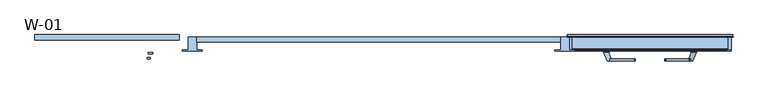
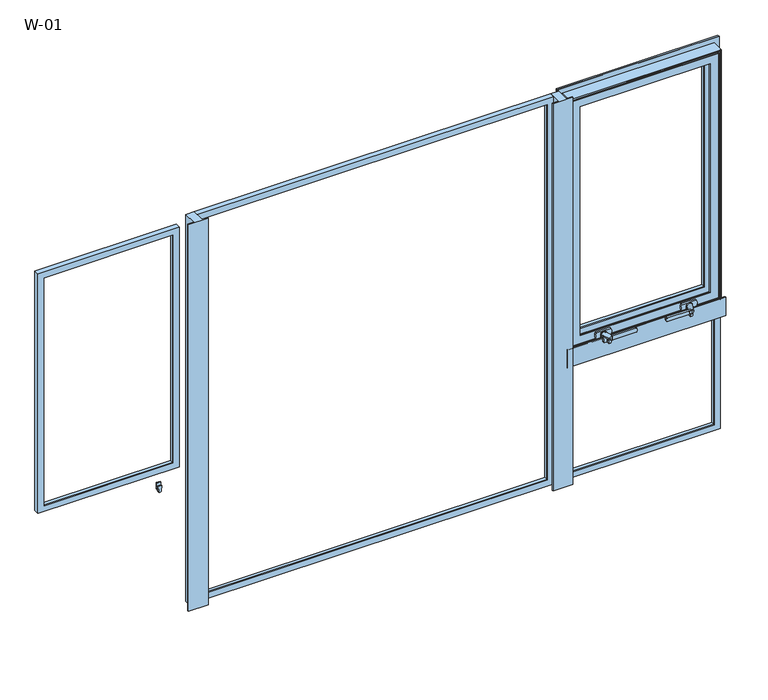
"""IFC4 building model written with IfcOpenShell, lengths in millimetres: window geometry, W-01."""

from ifc_helpers import new_model, si_unit, point, frame, frame_2d, origin, place, context, project, spatial, polyline, circle_curve, ellipse_curve, trimmed, segment, composite_curve, outline, extrude, source, transform, mapped, element, save
from ifc_brep_helpers import plane_surface, cylinder_surface, revolved_surface, spline_surface, advanced_brep


def w_01_fa36b794(model_context):
    return source(origin(), model_context, "Body", "SolidModel", [
        extrude(outline(polyline([(685.0000348, 68.9990172), (614.9999974, 68.9990172), (614.9999974, 72.5990172), (634.9999813, 72.5990172), (634.9999813, 118.9999375), (665.0000187, 118.9999375), (665.0000187, 72.5990172), (685.0000348, 72.5990172), (685.0000348, 68.9990172)])), frame((0.0, 0.0, 520.0), z_axis=(0.0, 0.0, 1.0), x_axis=(1.0, 0.0, 0.0)), (0.0, 0.0, 1.0), 1460.0),
        advanced_brep(
        [(-615.0, 118.9999377, 540.0), (-615.0, 107.7228474, 540.0), (615.0, 107.7228474, 540.0), (615.0, 118.9999377, 540.0), (612.8575034, 100.3927452, 542.1424966), (612.8575034, 100.3927452, 1957.8575034), (615.0, 107.7228474, 1960.0), (635.0, 100.3927452, 1980.0), (635.0, 118.9999377, 1980.0), (-635.0, 118.9999377, 1980.0), (-635.0, 100.3927452, 1980.0), (-615.0, 107.7228474, 1960.0), (-612.8575034, 100.3927452, 1957.8575034), (-612.8575034, 100.3927452, 542.1424966), (-615.0, 118.9999377, 1960.0), (-635.0, 118.9999377, 520.0), (-635.0, 100.3927452, 520.0), (635.0, 118.9999377, 520.0), (635.0, 100.3927452, 520.0), (615.0, 118.9999377, 1960.0)],
        [
            (0, 1),
            (1, 2),
            (2, 3),
            (3, 0),
            (2, 4, ellipse_curve(frame((595.3925883, 109.4756835, 559.6074117), z_axis=(-0.7071067811865475, 0.0, -0.7071067811865475), x_axis=(-0.7071067811865474, 0.0, 0.7071067811865476)), 27.839649, 19.6856046)),
            (4, 5),
            (5, 6, ellipse_curve(frame((595.3925883, 109.4756835, 1940.3925883), z_axis=(-0.7071067811865475, 0.0, 0.7071067811865475), x_axis=(0.7071067811865474, 0.0, 0.7071067811865476)), 27.839649, 19.6856046)),
            (6, 2),
            (7, 8),
            (8, 9),
            (9, 10),
            (10, 7),
            (11, 12, ellipse_curve(frame((-595.3925883, 109.4756835, 1940.3925883), z_axis=(0.7071067811865475, 0.0, 0.7071067811865475), x_axis=(0.7071067811865474, 0.0, -0.7071067811865476)), 27.839649, 19.6856046)),
            (12, 13),
            (13, 1, ellipse_curve(frame((-595.3925883, 109.4756835, 559.6074117), z_axis=(0.7071067811865475, 0.0, -0.7071067811865475), x_axis=(-0.7071067811865474, 0.0, -0.7071067811865476)), 27.839649, 19.6856046)),
            (1, 11),
            (14, 11),
            (0, 14),
            (9, 15),
            (15, 16),
            (16, 10),
            (13, 4),
            (15, 17),
            (17, 18),
            (18, 16),
            (6, 19),
            (19, 3),
            (17, 8),
            (7, 18),
            (12, 5),
            (11, 6),
            (14, 19),
        ],
        [
            plane_surface(frame((-615.0, 107.7228474, 540.0), z_axis=(0.0, 0.0, 1.0), x_axis=(1.0, 0.0, 0.0))),
            revolved_surface(polyline([(615.0781929000001, 109.4756835, 1960.0781928937533), (615.0781929000001, 109.4756835, 539.9218071062467)]), (595.3925883, 109.4756835, 520.0), (0.0, 0.0, 1.0)),
            plane_surface(frame((635.0, 118.9999377, 1980.0), z_axis=(0.0, 0.0, 1.0), x_axis=(-1.0, 0.0, 0.0))),
            revolved_surface(polyline([(-615.0781929000001, 109.4756835, 539.9218071062464), (-615.0781929000001, 109.4756835, 1960.0781928937533)]), (-595.3925883, 109.4756835, 1980.0), (0.0, 0.0, -1.0)),
            plane_surface(frame((-615.0, 107.7228474, 1960.0), z_axis=(1.0, 0.0, 0.0), x_axis=(0.0, 0.0, -1.0))),
            plane_surface(frame((-635.0, 118.9999377, 1980.0), z_axis=(-1.0, 0.0, 0.0), x_axis=(0.0, 0.0, -1.0))),
            revolved_surface(polyline([(615.0781928937536, 109.4756835, 539.9218070999999), (-615.0781928937533, 109.4756835, 539.9218070999999)]), (-635.0, 109.4756835, 559.6074117), (1.0, 0.0, 0.0)),
            plane_surface(frame((-635.0, 118.9999377, 520.0), z_axis=(0.0, 0.0, -1.0), x_axis=(1.0, 0.0, 0.0))),
            plane_surface(frame((615.0, 107.7228474, 540.0), z_axis=(-1.0, 0.0, 0.0), x_axis=(0.0, 0.0, 1.0))),
            plane_surface(frame((635.0, 118.9999377, 520.0), z_axis=(1.0, 0.0, 0.0), x_axis=(0.0, 0.0, 1.0))),
            plane_surface(frame((635.0, 100.3927452, 1980.0), z_axis=(0.0, -1.0, 0.0), x_axis=(-1.0, 0.0, 0.0))),
            revolved_surface(polyline([(-615.0781928937536, 109.4756835, 1960.0781929), (615.0781928937533, 109.4756835, 1960.0781929)]), (635.0, 109.4756835, 1940.3925883), (-1.0, 0.0, 0.0)),
            plane_surface(frame((615.0, 107.7228474, 1960.0), z_axis=(0.0, 0.0, -1.0), x_axis=(-1.0, 0.0, 0.0))),
            plane_surface(frame((615.0, 118.9999377, 1960.0), z_axis=(0.0, 1.0, 0.0), x_axis=(-1.0, 0.0, 0.0))),
        ],
        [
            (0, [[1, 2, 3, 4]]),
            (1, [[5, 6, 7, 8]]),
            (2, [[9, 10, 11, 12]]),
            (3, [[13, 14, 15, 16]]),
            (4, [[17, -16, -1, 18]]),
            (5, [[-11, 19, 20, 21]]),
            (6, [[-15, 22, -5, -2]]),
            (7, [[-20, 23, 24, 25]]),
            (8, [[-3, -8, 26, 27]]),
            (9, [[-24, 28, -9, 29]]),
            (10, [[-25, -29, -12, -21], [30, -6, -22, -14]]),
            (11, [[-7, -30, -13, 31]]),
            (12, [[-26, -31, -17, 32]]),
            (13, [[-10, -28, -23, -19], [-4, -27, -32, -18]]),
        ],
    ),
        advanced_brep(
        [(1199.4, 107.9927036, 1949.4), (1199.4, 107.9927036, 1045.6), (1199.4, 126.5998961, 1045.6), (1199.4, 126.5998961, 1949.4), (715.6, 115.3228058, 1065.6), (715.6, 115.3228058, 1929.4), (717.7424966, 107.9927036, 1927.2575034), (717.7424966, 107.9927036, 1067.7424966), (715.6, 126.5998961, 1929.4), (1179.4, 126.5998961, 1929.4), (1179.4, 115.3228058, 1929.4), (695.6, 107.9927036, 1949.4), (695.6, 126.5998961, 1949.4), (1179.4, 115.3228058, 1065.6), (1177.2575034, 107.9927036, 1067.7424966), (1177.2575034, 107.9927036, 1927.2575034), (1179.4, 126.5998961, 1065.6), (715.6, 126.5998961, 1065.6), (695.6, 107.9927036, 1045.6), (695.6, 126.5998961, 1045.6)],
        [
            (0, 1),
            (1, 2),
            (2, 3),
            (3, 0),
            (4, 5),
            (5, 6, ellipse_curve(frame((735.2074117, 117.0756419, 1909.7925883), z_axis=(0.7071067811865475, 0.0, 0.7071067811865475), x_axis=(-0.7071067811865474, 0.0, 0.7071067811865476)), 27.839649, 19.6856046)),
            (6, 7),
            (7, 4, ellipse_curve(frame((735.2074117, 117.0756419, 1085.2074117), z_axis=(0.7071067811865475, 0.0, -0.7071067811865475), x_axis=(0.7071067811865474, 0.0, 0.7071067811865476)), 27.839649, 19.6856046)),
            (8, 9),
            (9, 10),
            (10, 5),
            (5, 8),
            (11, 0),
            (3, 12),
            (12, 11),
            (10, 13),
            (13, 14, ellipse_curve(frame((1159.7925883, 117.0756419, 1085.2074117), z_axis=(-0.7071067811865475, 0.0, -0.7071067811865475), x_axis=(0.7071067811865474, 0.0, -0.7071067811865476)), 27.839649, 19.6856046)),
            (14, 15),
            (15, 10, ellipse_curve(frame((1159.7925883, 117.0756419, 1909.7925883), z_axis=(-0.7071067811865475, 0.0, 0.7071067811865475), x_axis=(-0.7071067811865474, 0.0, -0.7071067811865476)), 27.839649, 19.6856046)),
            (9, 16),
            (16, 13),
            (13, 4),
            (7, 14),
            (16, 17),
            (17, 4),
            (1, 18),
            (18, 19),
            (19, 2),
            (17, 8),
            (18, 11),
            (12, 19),
            (6, 15),
        ],
        [
            plane_surface(frame((1199.4, 126.5998961, 1949.4), z_axis=(1.0, 0.0, 0.0), x_axis=(0.0, 0.0, -1.0))),
            revolved_surface(polyline([(715.5218070999999, 117.0756419, 1929.4781928937532), (715.5218070999999, 117.0756419, 1065.5218071062466)]), (735.2074117, 117.0756419, 1045.6), (0.0, 0.0, 1.0)),
            plane_surface(frame((715.6, 115.3228058, 1929.4), z_axis=(0.0, 0.0, -1.0), x_axis=(1.0, 0.0, 0.0))),
            plane_surface(frame((695.6, 126.5998961, 1949.4), z_axis=(0.0, 0.0, 1.0), x_axis=(1.0, 0.0, 0.0))),
            revolved_surface(polyline([(1179.4781929, 117.0756419, 1065.5218071062468), (1179.4781929, 117.0756419, 1929.4781928937534)]), (1159.7925883, 117.0756419, 1949.4), (0.0, 0.0, -1.0)),
            plane_surface(frame((1179.4, 115.3228058, 1929.4), z_axis=(-1.0, 0.0, 0.0), x_axis=(0.0, 0.0, -1.0))),
            revolved_surface(polyline([(715.5218071062467, 117.0756419, 1065.5218071), (1179.4781928937532, 117.0756419, 1065.5218071)]), (1199.4, 117.0756419, 1085.2074117), (-1.0, 0.0, 0.0)),
            plane_surface(frame((1179.4, 115.3228058, 1065.6), z_axis=(0.0, 0.0, 1.0), x_axis=(-1.0, 0.0, 0.0))),
            plane_surface(frame((1199.4, 126.5998961, 1045.6), z_axis=(0.0, 0.0, -1.0), x_axis=(-1.0, 0.0, 0.0))),
            plane_surface(frame((715.6, 115.3228058, 1065.6), z_axis=(1.0, 0.0, 0.0), x_axis=(0.0, 0.0, 1.0))),
            plane_surface(frame((695.6, 126.5998961, 1045.6), z_axis=(-1.0, 0.0, 0.0), x_axis=(0.0, 0.0, 1.0))),
            plane_surface(frame((695.6, 107.9927036, 1949.4), z_axis=(0.0, -1.0, 0.0), x_axis=(1.0, 0.0, 0.0))),
            revolved_surface(polyline([(1179.4781928937532, 117.0756419, 1929.4781929), (715.5218071062467, 117.0756419, 1929.4781929)]), (695.6, 117.0756419, 1909.7925883), (1.0, 0.0, 0.0)),
            plane_surface(frame((715.6, 126.5998961, 1929.4), z_axis=(0.0, 1.0, 0.0), x_axis=(1.0, 0.0, 0.0))),
        ],
        [
            (0, [[1, 2, 3, 4]]),
            (1, [[5, 6, 7, 8]]),
            (2, [[9, 10, 11, 12]]),
            (3, [[13, -4, 14, 15]]),
            (4, [[16, 17, 18, 19]]),
            (5, [[20, 21, -16, -10]]),
            (6, [[22, -8, 23, -17]]),
            (7, [[24, 25, -22, -21]]),
            (8, [[26, 27, 28, -2]]),
            (9, [[29, -12, -5, -25]]),
            (10, [[30, -15, 31, -27]]),
            (11, [[-1, -13, -30, -26], [-18, -23, -7, 32]]),
            (12, [[-11, -19, -32, -6]]),
            (13, [[-3, -28, -31, -14], [-20, -9, -29, -24]]),
        ],
    ),
        extrude(outline(composite_curve([segment(trimmed(circle_curve(frame_2d((1029.7, 803.432005)), 3.0), [point((1026.7, 803.432005))], [point((1029.5429921, 806.4278936))], False, "CARTESIAN"), True, "CONTINUOUS"), segment(polyline([(1029.5429921, 806.4278936), (1050.0, 807.5), (1050.0, 796.5), (1029.5429921, 797.5721064)]), True, "CONTINUOUS"), segment(trimmed(circle_curve(frame_2d((1029.7, 800.567995)), 3.0), [point((1029.5429921, 797.5721064))], [point((1026.7, 800.567995))], False, "CARTESIAN"), True, "CONTINUOUS"), segment(polyline([(1026.7, 800.567995), (1026.7, 803.432005)]), True, "CONTINUOUS")], self_intersect=False)), frame((0.0, 42.4998877, 0.0), z_axis=(0.0, 1.0, 0.0), x_axis=(0.0, 0.0, 1.0)), (0.0, 0.0, 1.0), 4.9),
        extrude(outline(composite_curve([segment(trimmed(circle_curve(frame_2d((1025.7, 798.7223739)), 3.0), [point((1022.7, 798.7223739))], [point((1025.5429921, 801.7182625))], False, "CARTESIAN"), True, "CONTINUOUS"), segment(polyline([(1025.5429921, 801.7182625), (1050.0, 803.0), (1050.0, 789.0), (1025.5429921, 790.2817375)]), True, "CONTINUOUS"), segment(trimmed(circle_curve(frame_2d((1025.7, 793.2776261)), 3.0), [point((1025.5429921, 790.2817375))], [point((1022.7, 793.2776261))], False, "CARTESIAN"), True, "CONTINUOUS"), segment(polyline([(1022.7, 793.2776261), (1022.7, 798.7223739)]), True, "CONTINUOUS")], self_intersect=False)), frame((0.0, 59.2998877, 0.0), z_axis=(0.0, 1.0, 0.0), x_axis=(0.0, 0.0, 1.0)), (0.0, 0.0, 1.0), 5.3),
        extrude(outline(composite_curve([segment(polyline([(1057.2, 891.7659341), (1057.2, 806.0), (1042.8, 806.0), (1042.8, 891.7659341)]), True, "CONTINUOUS"), segment(trimmed(circle_curve(frame_2d((1044.8, 891.7659341)), 2.0), [point((1042.8, 891.7659341))], [point((1044.0572186, 893.6228875))], False, "CARTESIAN"), True, "CONTINUOUS"), segment(polyline([(1044.0572186, 893.6228875), (1048.5144373, 895.4057749)]), True, "CONTINUOUS"), segment(trimmed(circle_curve(frame_2d((1050.0, 891.6918682)), 4.0), [point((1048.5144373, 895.4057749))], [point((1051.4855627, 895.4057749))], False, "CARTESIAN"), True, "CONTINUOUS"), segment(polyline([(1051.4855627, 895.4057749), (1055.9427814, 893.6228875)]), True, "CONTINUOUS"), segment(trimmed(circle_curve(frame_2d((1055.2, 891.7659341)), 2.0), [point((1055.9427814, 893.6228875))], [point((1057.2, 891.7659341))], False, "CARTESIAN"), True, "CONTINUOUS")], self_intersect=False)), frame((0.0, 34.5998877, 0.0), z_axis=(0.0, 1.0, 0.0), x_axis=(0.0, 0.0, 1.0)), (0.0, 0.0, 1.0), 7.0),
        extrude(outline(composite_curve([segment(trimmed(circle_curve(frame_2d((1050.0, 795.0)), 7.0), [point((1050.0, 788.0))], [point((1050.0, 802.0))], False, "CARTESIAN"), True, "CONTINUOUS"), segment(trimmed(circle_curve(frame_2d((1050.0, 795.0)), 7.0), [point((1050.0, 802.0))], [point((1050.0, 788.0))], False, "CARTESIAN"), True, "CONTINUOUS")], self_intersect=False)), frame((0.0, 64.5998877, 0.0), z_axis=(0.0, 1.0, 0.0), x_axis=(0.0, 0.0, 1.0)), (0.0, 0.0, 1.0), 1.5),
        advanced_brep(
        [(786.0, 64.5998877, 1050.0), (804.0, 64.5998877, 1050.0), (813.5, 34.5998877, 1050.0), (798.5, 34.5998877, 1050.0)],
        [
            (0, 1, circle_curve(frame((795.0, 64.5998877, 1050.0), z_axis=(0.0, -1.0, 0.0), x_axis=(1.0, 0.0, 0.0)), 9.0)),
            (1, 2),
            (2, 3, circle_curve(frame((806.0, 34.5998877, 1050.0), z_axis=(0.0, 1.0, 0.0), x_axis=(1.0, 0.0, 0.0)), 7.5)),
            (3, 0),
            (2, 3, circle_curve(frame((806.0, 34.5998877, 1050.0), z_axis=(0.0, -1.0, 0.0), x_axis=(1.0, 0.0, 0.0)), 7.5)),
            (0, 1, circle_curve(frame((795.0, 64.5998877, 1050.0), z_axis=(0.0, 1.0, 0.0), x_axis=(1.0, 0.0, 0.0)), 9.0)),
        ],
        [
            spline_surface(2, 1, [[(786.0, 64.5998877, 1050.0), (798.5, 34.5998877, 1050.0)], [(786.0, 64.5998877, 1041.0), (798.5, 34.5998877, 1042.5)], [(795.0, 64.5998877, 1041.0), (806.0, 34.5998877, 1042.5)], [(804.0, 64.5998877, 1041.0), (813.5, 34.5998877, 1042.5)], [(804.0, 64.5998877, 1050.0), (813.5, 34.5998877, 1050.0)]], [3, 2, 3], [2, 2], [0.0, 1.0, 2.0], [0.0, 1.0], weights=[[1.0, 1.0], [0.7071067811865476, 0.7071067811865476], [1.0, 1.0], [0.7071067811865476, 0.7071067811865476], [1.0, 1.0]]),
            plane_surface(frame((806.0, 34.5998877, 1050.0), z_axis=(0.0, -1.0, 0.0), x_axis=(0.0, 0.0, -1.0))),
            plane_surface(frame((795.0, 64.5998877, 1050.0), z_axis=(0.0, 1.0, 0.0), x_axis=(0.0, 0.0, -1.0))),
            spline_surface(2, 1, [[(804.0, 64.5998877, 1050.0), (813.5, 34.5998877, 1050.0)], [(804.0, 64.5998877, 1059.0), (813.5, 34.5998877, 1057.5)], [(795.0, 64.5998877, 1059.0), (806.0, 34.5998877, 1057.5)], [(786.0, 64.5998877, 1059.0), (798.5, 34.5998877, 1057.5)], [(786.0, 64.5998877, 1050.0), (798.5, 34.5998877, 1050.0)]], [3, 2, 3], [2, 2], [0.0, 1.0, 2.0], [0.0, 1.0], weights=[[1.0, 1.0], [0.7071067811865476, 0.7071067811865476], [1.0, 1.0], [0.7071067811865476, 0.7071067811865476], [1.0, 1.0]]),
        ],
        [
            (0, [[1, 2, 3, 4]]),
            (1, [[-3, 5]]),
            (2, [[6, -1]]),
            (3, [[-6, -4, -5, -2]]),
        ],
    ),
        extrude(outline(composite_curve([segment(polyline([(1050.0, 784.4), (1038.95, 784.4), (1038.95, 805.6), (1050.0, 805.6)]), True, "CONTINUOUS"), segment(trimmed(circle_curve(frame_2d((1050.0, 795.0)), 10.6), [point((1050.0, 805.6))], [point((1050.0, 784.4))], False, "CARTESIAN"), True, "CONTINUOUS")], self_intersect=False)), frame((0.0, 66.0998877, 0.0), z_axis=(0.0, 1.0, 0.0), x_axis=(0.0, 0.0, 1.0)), (0.0, 0.0, 1.0), 2.8),
        extrude(outline(composite_curve([segment(trimmed(circle_curve(frame_2d((1050.0, 798.2967472)), 25.2495582), [point((1038.95, 821.0))], [point((1061.05, 821.0))], False, "CARTESIAN"), True, "CONTINUOUS"), segment(polyline([(1061.05, 821.0), (1061.05, 769.0)]), True, "CONTINUOUS"), segment(trimmed(circle_curve(frame_2d((1050.0, 791.7032528)), 25.2495582), [point((1061.05, 769.0))], [point((1038.95, 769.0))], False, "CARTESIAN"), True, "CONTINUOUS"), segment(polyline([(1038.95, 769.0), (1038.95, 821.0)]), True, "CONTINUOUS")], self_intersect=False)), frame((0.0, 68.8998877, 0.0), z_axis=(0.0, 1.0, 0.0), x_axis=(0.0, 0.0, 1.0)), (0.0, 0.0, 1.0), 6.7),
        extrude(outline(composite_curve([segment(polyline([(1026.7, 1091.567995), (1026.7, 1094.432005)]), True, "CONTINUOUS"), segment(trimmed(circle_curve(frame_2d((1029.7, 1094.432005)), 3.0), [point((1026.7, 1094.432005))], [point((1029.5429921, 1097.4278936))], False, "CARTESIAN"), True, "CONTINUOUS"), segment(polyline([(1029.5429921, 1097.4278936), (1050.0, 1098.5), (1050.0, 1087.5), (1029.5429921, 1088.5721064)]), True, "CONTINUOUS"), segment(trimmed(circle_curve(frame_2d((1029.7, 1091.567995)), 3.0), [point((1029.5429921, 1088.5721064))], [point((1026.7, 1091.567995))], False, "CARTESIAN"), True, "CONTINUOUS")], self_intersect=False)), frame((0.0, 42.4998877, 0.0), z_axis=(0.0, 1.0, 0.0), x_axis=(0.0, 0.0, 1.0)), (0.0, 0.0, 1.0), 4.9),
        extrude(outline(composite_curve([segment(polyline([(1022.7, 1096.2776261), (1022.7, 1101.7223739)]), True, "CONTINUOUS"), segment(trimmed(circle_curve(frame_2d((1025.7, 1101.7223739)), 3.0), [point((1022.7, 1101.7223739))], [point((1025.5429921, 1104.7182625))], False, "CARTESIAN"), True, "CONTINUOUS"), segment(polyline([(1025.5429921, 1104.7182625), (1050.0, 1106.0), (1050.0, 1092.0), (1025.5429921, 1093.2817375)]), True, "CONTINUOUS"), segment(trimmed(circle_curve(frame_2d((1025.7, 1096.2776261)), 3.0), [point((1025.5429921, 1093.2817375))], [point((1022.7, 1096.2776261))], False, "CARTESIAN"), True, "CONTINUOUS")], self_intersect=False)), frame((0.0, 59.2998877, 0.0), z_axis=(0.0, 1.0, 0.0), x_axis=(0.0, 0.0, 1.0)), (0.0, 0.0, 1.0), 5.3),
        extrude(outline(composite_curve([segment(trimmed(circle_curve(frame_2d((1055.2, 1003.2340659)), 2.0), [point((1057.2, 1003.2340659))], [point((1055.9427814, 1001.3771125))], False, "CARTESIAN"), True, "CONTINUOUS"), segment(polyline([(1055.9427814, 1001.3771125), (1051.4855627, 999.5942251)]), True, "CONTINUOUS"), segment(trimmed(circle_curve(frame_2d((1050.0, 1003.3081318)), 4.0), [point((1051.4855627, 999.5942251))], [point((1048.5144373, 999.5942251))], False, "CARTESIAN"), True, "CONTINUOUS"), segment(polyline([(1048.5144373, 999.5942251), (1044.0572186, 1001.3771125)]), True, "CONTINUOUS"), segment(trimmed(circle_curve(frame_2d((1044.8, 1003.2340659)), 2.0), [point((1044.0572186, 1001.3771125))], [point((1042.8, 1003.2340659))], False, "CARTESIAN"), True, "CONTINUOUS"), segment(polyline([(1042.8, 1003.2340659), (1042.8, 1089.0), (1057.2, 1089.0), (1057.2, 1003.2340659)]), True, "CONTINUOUS")], self_intersect=False)), frame((0.0, 34.5998877, 0.0), z_axis=(0.0, 1.0, 0.0), x_axis=(0.0, 0.0, 1.0)), (0.0, 0.0, 1.0), 7.0),
        extrude(outline(composite_curve([segment(trimmed(circle_curve(frame_2d((1050.0, 1100.0)), 7.0), [point((1050.0, 1107.0))], [point((1050.0, 1093.0))], False, "CARTESIAN"), True, "CONTINUOUS"), segment(trimmed(circle_curve(frame_2d((1050.0, 1100.0)), 7.0), [point((1050.0, 1093.0))], [point((1050.0, 1107.0))], False, "CARTESIAN"), True, "CONTINUOUS")], self_intersect=False)), frame((0.0, 64.5998877, 0.0), z_axis=(0.0, 1.0, 0.0), x_axis=(0.0, 0.0, 1.0)), (0.0, 0.0, 1.0), 1.5),
        advanced_brep(
        [(1109.0, 64.5998877, 1050.0), (1096.5, 34.5998877, 1050.0), (1081.5, 34.5998877, 1050.0), (1091.0, 64.5998877, 1050.0)],
        [
            (0, 1),
            (1, 2, circle_curve(frame((1089.0, 34.5998877, 1050.0), z_axis=(0.0, 1.0, 0.0), x_axis=(-1.0, 0.0, 0.0)), 7.5)),
            (2, 3),
            (3, 0, circle_curve(frame((1100.0, 64.5998877, 1050.0), z_axis=(0.0, -1.0, 0.0), x_axis=(-1.0, 0.0, 0.0)), 9.0)),
            (1, 2, circle_curve(frame((1089.0, 34.5998877, 1050.0), z_axis=(0.0, -1.0, 0.0), x_axis=(-1.0, 0.0, 0.0)), 7.5)),
            (3, 0, circle_curve(frame((1100.0, 64.5998877, 1050.0), z_axis=(0.0, 1.0, 0.0), x_axis=(-1.0, 0.0, 0.0)), 9.0)),
        ],
        [
            spline_surface(1, 2, [[(1109.0, 64.5998877, 1050.0), (1109.0, 64.5998877, 1041.0), (1100.0, 64.5998877, 1041.0), (1091.0, 64.5998877, 1041.0), (1091.0, 64.5998877, 1050.0)], [(1096.5, 34.5998877, 1050.0), (1096.5, 34.5998877, 1042.5), (1089.0, 34.5998877, 1042.5), (1081.5, 34.5998877, 1042.5), (1081.5, 34.5998877, 1050.0)]], [2, 2], [3, 2, 3], [0.0, 1.0], [0.0, 1.0, 2.0], weights=[[1.0, 0.7071067811865476, 1.0, 0.7071067811865476, 1.0], [1.0, 0.7071067811865476, 1.0, 0.7071067811865476, 1.0]]),
            plane_surface(frame((1089.0, 34.5998877, 1050.0), z_axis=(0.0, -1.0, 0.0), x_axis=(0.0, 0.0, -1.0))),
            plane_surface(frame((1100.0, 64.5998877, 1050.0), z_axis=(0.0, 1.0, 0.0), x_axis=(0.0, 0.0, -1.0))),
            spline_surface(1, 2, [[(1091.0, 64.5998877, 1050.0), (1091.0, 64.5998877, 1059.0), (1100.0, 64.5998877, 1059.0), (1109.0, 64.5998877, 1059.0), (1109.0, 64.5998877, 1050.0)], [(1081.5, 34.5998877, 1050.0), (1081.5, 34.5998877, 1057.5), (1089.0, 34.5998877, 1057.5), (1096.5, 34.5998877, 1057.5), (1096.5, 34.5998877, 1050.0)]], [2, 2], [3, 2, 3], [0.0, 1.0], [0.0, 1.0, 2.0], weights=[[1.0, 0.7071067811865476, 1.0, 0.7071067811865476, 1.0], [1.0, 0.7071067811865476, 1.0, 0.7071067811865476, 1.0]]),
        ],
        [
            (0, [[1, 2, 3, 4]]),
            (1, [[5, -2]]),
            (2, [[-4, 6]]),
            (3, [[-3, -5, -1, -6]]),
        ],
    ),
        extrude(outline(composite_curve([segment(trimmed(circle_curve(frame_2d((1050.0, 1100.0)), 10.6), [point((1050.0, 1110.6))], [point((1050.0, 1089.4))], False, "CARTESIAN"), True, "CONTINUOUS"), segment(polyline([(1050.0, 1089.4), (1038.95, 1089.4), (1038.95, 1110.6), (1050.0, 1110.6)]), True, "CONTINUOUS")], self_intersect=False)), frame((0.0, 66.0998877, 0.0), z_axis=(0.0, 1.0, 0.0), x_axis=(0.0, 0.0, 1.0)), (0.0, 0.0, 1.0), 2.8),
        extrude(outline(composite_curve([segment(polyline([(1038.95, 1074.0), (1038.95, 1126.0)]), True, "CONTINUOUS"), segment(trimmed(circle_curve(frame_2d((1050.0, 1103.2967472)), 25.2495582), [point((1038.95, 1126.0))], [point((1061.05, 1126.0))], False, "CARTESIAN"), True, "CONTINUOUS"), segment(polyline([(1061.05, 1126.0), (1061.05, 1074.0)]), True, "CONTINUOUS"), segment(trimmed(circle_curve(frame_2d((1050.0, 1096.7032528)), 25.2495582), [point((1061.05, 1074.0))], [point((1038.95, 1074.0))], False, "CARTESIAN"), True, "CONTINUOUS")], self_intersect=False)), frame((0.0, 68.8998877, 0.0), z_axis=(0.0, 1.0, 0.0), x_axis=(0.0, 0.0, 1.0)), (0.0, 0.0, 1.0), 6.7),
        advanced_brep(
        [(659.1411349, 121.9998959, 1009.1411349), (659.1411349, 126.5998959, 1009.1411349), (1235.8588651, 126.5998959, 1009.1411349), (1235.8588651, 121.9998959, 1009.1411349), (658.5362852, 119.9946704, 1986.4637148), (661.2462336, 121.9998959, 1983.7537664), (661.2462336, 121.9998959, 1011.2462336), (658.5362852, 119.9946704, 1008.5362852), (1233.7537664, 121.9998959, 1011.2462336), (1236.4637148, 119.9946704, 1008.5362852), (657.7913127, 118.9999375, 1987.2086873), (657.7913127, 118.9999375, 1007.7913127), (1237.2086873, 118.9999375, 1007.7913127), (679.5652096, 72.6034283, 1965.4347904), (676.855777, 74.6078109, 1968.144223), (676.855777, 74.6078109, 1026.855777), (679.5652096, 72.6034283, 1029.5652096), (1215.4347904, 72.6034283, 1029.5652096), (1215.4347904, 72.6034283, 1965.4347904), (1212.0349667, 72.6034283, 1962.0349667), (1212.0349667, 72.6034283, 1032.9650333), (682.9650333, 72.6034283, 1032.9650333), (682.9650333, 72.6034283, 1962.0349667), (686.1945677, 74.6078109, 1036.1945677), (1208.8054323, 74.6078109, 1036.1945677), (686.659424, 75.5998877, 1958.340576), (686.659424, 75.5998877, 1036.659424), (1208.340576, 75.5998877, 1036.659424), (1208.340576, 75.5998877, 1958.340576), (1179.3588709, 75.5998877, 1929.3588709), (1179.3588709, 75.5998877, 1065.6411291), (715.6411291, 75.5998877, 1065.6411291), (715.6411291, 75.5998877, 1929.3588709), (715.6411291, 80.1998877, 1929.3588709), (715.6411291, 80.1998877, 1065.6411291), (1233.7537664, 121.9998959, 1983.7537664), (1236.4637148, 119.9946704, 1986.4637148), (1218.3588678, 76.0998843, 1026.6411322), (1218.3588678, 118.9999375, 1026.6411322), (1218.3588678, 118.9999375, 1968.3588678), (1218.3588678, 76.0998843, 1968.3588678), (1217.8588679, 75.5998845, 1027.1411321), (1217.8588679, 75.5998845, 1967.8588679), (1199.3588651, 126.5998959, 1045.6411349), (1199.3588651, 80.1998877, 1045.6411349), (1199.3588651, 80.1998877, 1949.3588651), (1199.3588651, 126.5998959, 1949.3588651), (1237.2086873, 118.9999375, 1987.2086873), (1218.144223, 74.6078109, 1968.144223), (677.1411321, 75.5998845, 1967.8588679), (1208.8054323, 74.6078109, 1958.8054323), (686.1945677, 74.6078109, 1958.8054323), (695.6411349, 80.1998877, 1949.3588651), (695.6411349, 126.5998959, 1949.3588651), (659.1411349, 121.9998959, 1985.8588651), (659.1411349, 126.5998959, 1985.8588651), (1235.8588651, 126.5998959, 1985.8588651), (695.6411349, 126.5998959, 1045.6411349), (1235.8588651, 121.9998959, 1985.8588651), (676.6411322, 118.9999375, 1026.6411322), (676.6411322, 118.9999375, 1968.3588678), (676.6411322, 76.0998843, 1968.3588678), (676.6411322, 76.0998843, 1026.6411322), (677.1411321, 75.5998845, 1027.1411321), (1218.144223, 74.6078109, 1026.855777), (1179.3588709, 80.1998877, 1065.6411291), (695.6411349, 80.1998877, 1045.6411349), (1179.3588709, 80.1998877, 1929.3588709)],
        [
            (0, 1),
            (1, 2),
            (2, 3),
            (3, 0),
            (4, 5, ellipse_curve(frame((657.4151568, 124.3435951, 1987.5848432), z_axis=(0.7071067811865475, 0.0, 0.7071067811865475), x_axis=(0.7071067811865474, 0.0, -0.7071067811865476)), 6.3513896, 4.4911107)),
            (5, 6),
            (6, 7, ellipse_curve(frame((657.4151568, 124.3435951, 1007.4151568), z_axis=(0.7071067811865475, 0.0, -0.7071067811865475), x_axis=(-0.7071067811865474, 0.0, -0.7071067811865476)), 6.3513896, 4.4911107)),
            (7, 4),
            (6, 8),
            (8, 9, ellipse_curve(frame((1237.5848432, 124.3435951, 1007.4151568), z_axis=(0.7071067811865475, 0.0, 0.7071067811865475), x_axis=(0.7071067811865476, 0.0, -0.7071067811865474)), 6.3513896, 4.4911107)),
            (9, 7),
            (10, 4),
            (7, 11),
            (11, 10),
            (9, 12),
            (12, 11),
            (13, 14, ellipse_curve(frame((675.7346486, 70.2588862, 1969.2653514), z_axis=(0.7071067811865475, 0.0, 0.7071067811865475), x_axis=(0.7071067811865474, 0.0, -0.7071067811865476)), 6.3513896, 4.4911107)),
            (14, 15),
            (15, 16, ellipse_curve(frame((675.7346486, 70.2588862, 1025.7346486), z_axis=(0.7071067811865475, 0.0, -0.7071067811865475), x_axis=(-0.7071067811865474, 0.0, -0.7071067811865476)), 6.3513896, 4.4911107)),
            (16, 13),
            (16, 17),
            (17, 18),
            (18, 13),
            (19, 20),
            (20, 21),
            (21, 22),
            (22, 19),
            (23, 21, ellipse_curve(frame((686.4459086, 70.5988781, 1036.4459086), z_axis=(-0.7071067811865475, 0.0, 0.7071067811865475), x_axis=(0.7071067811865476, 0.0, 0.7071067811865474)), 5.6806187, 4.016804)),
            (20, 24, ellipse_curve(frame((1208.5540914, 70.5988781, 1036.4459086), z_axis=(0.7071067811865475, 0.0, 0.7071067811865475), x_axis=(0.7071067811865476, 0.0, -0.7071067811865474)), 5.6806187, 4.016804)),
            (24, 23),
            (25, 26),
            (26, 27),
            (27, 28),
            (28, 25),
            (29, 30),
            (30, 31),
            (31, 32),
            (32, 29),
            (33, 32),
            (31, 34),
            (34, 33),
            (8, 35),
            (35, 36, ellipse_curve(frame((1237.5848432, 124.3435951, 1987.5848432), z_axis=(-0.7071067811865475, 0.0, 0.7071067811865475), x_axis=(0.7071067811865474, 0.0, 0.7071067811865476)), 6.3513896, 4.4911107)),
            (36, 9),
            (37, 38),
            (38, 39),
            (39, 40),
            (40, 37),
            (41, 37, ellipse_curve(frame((1217.8588679, 76.0998843, 1027.1411321), z_axis=(0.7071067811865475, 0.0, 0.7071067811865475), x_axis=(0.7071067811865474, 0.0, -0.7071067811865476)), 0.7071066, 0.4999999)),
            (40, 42, ellipse_curve(frame((1217.8588679, 76.0998843, 1967.8588679), z_axis=(0.7071067811865475, 0.0, -0.7071067811865475), x_axis=(-0.7071067811865474, 0.0, -0.7071067811865476)), 0.7071066, 0.4999999)),
            (42, 41),
            (43, 44),
            (44, 45),
            (45, 46),
            (46, 43),
            (35, 5),
            (4, 36),
            (47, 36),
            (10, 47),
            (48, 42),
            (42, 49),
            (49, 14),
            (14, 48),
            (28, 50),
            (50, 51),
            (51, 25),
            (45, 52),
            (52, 53),
            (53, 46),
            (54, 55),
            (55, 1),
            (0, 54),
            (56, 2),
            (55, 56),
            (53, 57),
            (57, 43),
            (3, 58),
            (58, 54),
            (12, 47),
            (38, 59),
            (59, 60),
            (60, 39),
            (61, 60),
            (59, 62),
            (62, 61),
            (37, 62),
            (49, 61, ellipse_curve(frame((677.1411321, 76.0998843, 1967.8588679), z_axis=(-0.7071067811865475, 0.0, -0.7071067811865475), x_axis=(-0.7071067811865474, 0.0, 0.7071067811865476)), 0.7071066, 0.4999999)),
            (62, 63, ellipse_curve(frame((677.1411321, 76.0998843, 1027.1411321), z_axis=(-0.7071067811865475, 0.0, 0.7071067811865475), x_axis=(0.7071067811865474, 0.0, 0.7071067811865476)), 0.7071066, 0.4999999)),
            (63, 49),
            (41, 63),
            (63, 15),
            (41, 64),
            (64, 15),
            (64, 17, ellipse_curve(frame((1219.2653514, 70.2588862, 1025.7346486), z_axis=(0.7071067811865475, 0.0, 0.7071067811865475), x_axis=(0.7071067811865476, 0.0, -0.7071067811865474)), 6.3513896, 4.4911107)),
            (51, 22, ellipse_curve(frame((686.4459086, 70.5988781, 1958.5540914), z_axis=(0.7071067811865475, 0.0, 0.7071067811865475), x_axis=(0.7071067811865474, 0.0, -0.7071067811865476)), 5.6806187, 4.016804)),
            (23, 51),
            (23, 26),
            (24, 27),
            (30, 65),
            (65, 34),
            (44, 66),
            (66, 52),
            (65, 67),
            (67, 33),
            (66, 57),
            (56, 58),
            (48, 64),
            (48, 18, ellipse_curve(frame((1219.2653514, 70.2588862, 1969.2653514), z_axis=(-0.7071067811865475, 0.0, 0.7071067811865475), x_axis=(0.7071067811865474, 0.0, 0.7071067811865476)), 6.3513896, 4.4911107)),
            (19, 50, ellipse_curve(frame((1208.5540914, 70.5988781, 1958.5540914), z_axis=(-0.7071067811865475, 0.0, 0.7071067811865475), x_axis=(0.7071067811865474, 0.0, 0.7071067811865476)), 5.6806187, 4.016804)),
            (50, 24),
            (29, 67),
            (61, 40),
        ],
        [
            plane_surface(frame((659.1411349, 126.5998959, 1009.1411349), z_axis=(0.0, 0.0, -1.0), x_axis=(1.0, 0.0, 0.0))),
            revolved_surface(polyline([(652.9240460999999, 124.3435951, 1002.9240461438823), (652.9240460999999, 124.3435951, 1992.0759538561178)]), (657.4151568, 124.3435951, 2000.0), (0.0, 0.0, -1.0)),
            revolved_surface(polyline([(1242.0759538561178, 124.3435951, 1002.9240460999999), (652.9240461438823, 124.3435951, 1002.9240460999999)]), (645.0, 124.3435951, 1007.4151568), (1.0, 0.0, 0.0)),
            plane_surface(frame((658.5362852, 119.9946704, 1986.4637148), z_axis=(-0.8004158635848596, 0.5994451145198395, 0.0), x_axis=(0.0, 0.0, -1.0))),
            plane_surface(frame((658.5362852, 119.9946704, 1008.5362852), z_axis=(0.0, 0.5994451145198296, -0.800415863584867), x_axis=(1.0, 0.0, 0.0))),
            revolved_surface(polyline([(671.2435379, 70.2588862, 1021.2435379438822), (671.2435379, 70.2588862, 1973.756462056118)]), (675.7346486, 70.2588862, 2000.0), (0.0, 0.0, -1.0)),
            plane_surface(frame((1215.4347904, 72.6034283, 1029.5652096), z_axis=(0.0, -1.0, 0.0), x_axis=(0.0, 0.0, 1.0))),
            revolved_surface(polyline([(1212.5708954041052, 70.5988781, 1032.4291045999998), (682.429104595895, 70.5988781, 1032.4291045999998)]), (645.0, 70.5988781, 1036.4459086), (1.0, 0.0, 0.0)),
            plane_surface(frame((1208.340576, 75.5998877, 1036.659424), z_axis=(0.0, -1.0, 0.0), x_axis=(0.0, 0.0, 1.0))),
            plane_surface(frame((715.6411291, 75.5998877, 1929.3588709), z_axis=(1.0, 0.0, 0.0), x_axis=(0.0, 0.0, -1.0))),
            revolved_surface(polyline([(1242.0759539, 124.3435951, 1992.0759538561178), (1242.0759539, 124.3435951, 1002.9240461438823)]), (1237.5848432, 124.3435951, 995.0), (0.0, 0.0, 1.0)),
            plane_surface(frame((1218.3588678, 118.9999375, 1026.6411322), z_axis=(1.0, 0.0, 0.0), x_axis=(0.0, 0.0, 1.0))),
            cylinder_surface(frame((1217.8588679, 76.0998843, 995.0), z_axis=(0.0, 0.0, -1.0), x_axis=(1.0, 0.0, 0.0)), 0.4999999),
            plane_surface(frame((1199.3588651, 80.1998877, 1045.6411349), z_axis=(-1.0, 0.0, 0.0), x_axis=(0.0, 0.0, 1.0))),
            revolved_surface(polyline([(652.9240461438823, 124.3435951, 1992.0759539), (1242.0759538561178, 124.3435951, 1992.0759539)]), (1250.0, 124.3435951, 1987.5848432), (-1.0, 0.0, 0.0)),
            plane_surface(frame((1236.4637148, 119.9946704, 1986.4637148), z_axis=(0.0, 0.5994451145198296, 0.800415863584867), x_axis=(-1.0, 0.0, 0.0))),
            plane_surface(frame((1217.8588679, 75.5998845, 1967.8588679), z_axis=(0.0, 0.27642729642523445, 0.9610348327667607), x_axis=(-1.0, 0.0, 0.0))),
            plane_surface(frame((1208.8054323, 74.6078109, 1958.8054323), z_axis=(0.0, -0.4242993898246574, -0.9055219642805047), x_axis=(-1.0, 0.0, 0.0))),
            plane_surface(frame((1199.3588651, 80.1998877, 1949.3588651), z_axis=(0.0, 0.0, -1.0), x_axis=(-1.0, 0.0, 0.0))),
            plane_surface(frame((659.1411349, 126.5998959, 1985.8588651), z_axis=(-1.0, 0.0, 0.0), x_axis=(0.0, 0.0, -1.0))),
            plane_surface(frame((1199.3588651, 126.5998959, 1045.6411349), z_axis=(0.0, 1.0, 0.0), x_axis=(0.0, 0.0, 1.0))),
            plane_surface(frame((1235.8588651, 121.9998959, 1009.1411349), z_axis=(0.0, -1.0, 0.0), x_axis=(0.0, 0.0, 1.0))),
            plane_surface(frame((1237.2086873, 118.9999375, 1007.7913127), z_axis=(0.0, -1.0, 0.0), x_axis=(0.0, 0.0, 1.0))),
            plane_surface(frame((676.6411322, 118.9999375, 1968.3588678), z_axis=(-1.0, 0.0, 0.0), x_axis=(0.0, 0.0, -1.0))),
            plane_surface(frame((676.6411322, 118.9999375, 1026.6411322), z_axis=(0.0, 0.0, -1.0), x_axis=(1.0, 0.0, 0.0))),
            cylinder_surface(frame((677.1411321, 76.0998843, 2000.0), z_axis=(0.0, 0.0, 1.0), x_axis=(-1.0, 0.0, 0.0)), 0.4999999),
            cylinder_surface(frame((645.0, 76.0998843, 1027.1411321), z_axis=(-1.0, 0.0, 0.0), x_axis=(0.0, 0.0, -1.0)), 0.4999999),
            plane_surface(frame((677.1411321, 75.5998845, 1967.8588679), z_axis=(-0.9610348327667573, 0.2764272964252464, 0.0), x_axis=(0.0, 0.0, -1.0))),
            plane_surface(frame((677.1411321, 75.5998845, 1027.1411321), z_axis=(0.0, 0.27642729642523445, -0.9610348327667607), x_axis=(1.0, 0.0, 0.0))),
            revolved_surface(polyline([(1223.756462056118, 70.2588862, 1021.2435378999999), (671.2435379438823, 70.2588862, 1021.2435378999999)]), (645.0, 70.2588862, 1025.7346486), (1.0, 0.0, 0.0)),
            revolved_surface(polyline([(682.4291046000001, 70.5988781, 1032.4291045958948), (682.4291046000001, 70.5988781, 1962.5708954041052)]), (686.4459086, 70.5988781, 2000.0), (0.0, 0.0, -1.0)),
            plane_surface(frame((686.1945677, 74.6078109, 1958.8054323), z_axis=(0.9055219642804995, -0.42429938982466864, 0.0), x_axis=(0.0, 0.0, -1.0))),
            plane_surface(frame((686.1945677, 74.6078109, 1036.1945677), z_axis=(0.0, -0.4242993898246574, 0.9055219642805047), x_axis=(1.0, 0.0, 0.0))),
            plane_surface(frame((715.6411291, 75.5998877, 1065.6411291), z_axis=(0.0, 0.0, 1.0), x_axis=(1.0, 0.0, 0.0))),
            plane_surface(frame((1179.3588709, 80.1998877, 1065.6411291), z_axis=(0.0, 1.0, 0.0), x_axis=(0.0, 0.0, 1.0))),
            plane_surface(frame((695.6411349, 80.1998877, 1949.3588651), z_axis=(1.0, 0.0, 0.0), x_axis=(0.0, 0.0, -1.0))),
            plane_surface(frame((695.6411349, 80.1998877, 1045.6411349), z_axis=(0.0, 0.0, 1.0), x_axis=(1.0, 0.0, 0.0))),
            plane_surface(frame((1235.8588651, 126.5998959, 1009.1411349), z_axis=(1.0, 0.0, 0.0), x_axis=(0.0, 0.0, 1.0))),
            plane_surface(frame((1236.4637148, 119.9946704, 1008.5362852), z_axis=(0.8004158635848745, 0.5994451145198197, 0.0), x_axis=(0.0, 0.0, 1.0))),
            plane_surface(frame((1217.8588679, 75.5998845, 1027.1411321), z_axis=(0.9610348327667642, 0.2764272964252225, 0.0), x_axis=(0.0, 0.0, 1.0))),
            revolved_surface(polyline([(1223.7564621000001, 70.2588862, 1973.756462056118), (1223.7564621000001, 70.2588862, 1021.2435379438822)]), (1219.2653514, 70.2588862, 995.0), (0.0, 0.0, 1.0)),
            revolved_surface(polyline([(1212.5708954000002, 70.5988781, 1962.5708954041052), (1212.5708954000002, 70.5988781, 1032.4291045958948)]), (1208.5540914, 70.5988781, 995.0), (0.0, 0.0, 1.0)),
            plane_surface(frame((1208.8054323, 74.6078109, 1036.1945677), z_axis=(-0.9055219642805099, -0.4242993898246462, 0.0), x_axis=(0.0, 0.0, 1.0))),
            plane_surface(frame((1179.3588709, 75.5998877, 1065.6411291), z_axis=(-1.0, 0.0, 0.0), x_axis=(0.0, 0.0, 1.0))),
            plane_surface(frame((1235.8588651, 126.5998959, 1985.8588651), z_axis=(0.0, 0.0, 1.0), x_axis=(-1.0, 0.0, 0.0))),
            plane_surface(frame((1218.3588678, 118.9999375, 1968.3588678), z_axis=(0.0, 0.0, 1.0), x_axis=(-1.0, 0.0, 0.0))),
            cylinder_surface(frame((1250.0, 76.0998843, 1967.8588679), z_axis=(1.0, 0.0, 0.0), x_axis=(0.0, 0.0, 1.0)), 0.4999999),
            revolved_surface(polyline([(671.2435379438823, 70.2588862, 1973.7564621000001), (1223.756462056118, 70.2588862, 1973.7564621000001)]), (1250.0, 70.2588862, 1969.2653514), (-1.0, 0.0, 0.0)),
            revolved_surface(polyline([(682.429104595895, 70.5988781, 1962.5708954000002), (1212.5708954041052, 70.5988781, 1962.5708954000002)]), (1250.0, 70.5988781, 1958.5540914), (-1.0, 0.0, 0.0)),
            plane_surface(frame((1179.3588709, 75.5998877, 1929.3588709), z_axis=(0.0, 0.0, -1.0), x_axis=(-1.0, 0.0, 0.0))),
        ],
        [
            (0, [[1, 2, 3, 4]]),
            (1, [[5, 6, 7, 8]]),
            (2, [[-7, 9, 10, 11]]),
            (3, [[12, -8, 13, 14]]),
            (4, [[-13, -11, 15, 16]]),
            (5, [[17, 18, 19, 20]]),
            (6, [[-20, 21, 22, 23], [24, 25, 26, 27]]),
            (7, [[28, -25, 29, 30]]),
            (8, [[31, 32, 33, 34], [35, 36, 37, 38]]),
            (9, [[39, -37, 40, 41]]),
            (10, [[-10, 42, 43, 44]]),
            (11, [[45, 46, 47, 48]]),
            (12, [[49, -48, 50, 51]]),
            (13, [[52, 53, 54, 55]]),
            (14, [[-43, 56, -5, 57]]),
            (15, [[58, -57, -12, 59]]),
            (16, [[60, 61, 62, 63]]),
            (17, [[64, 65, 66, -34]]),
            (18, [[-54, 67, 68, 69]]),
            (19, [[70, 71, -1, 72]]),
            (20, [[73, -2, -71, 74], [75, 76, -55, -69]]),
            (21, [[-72, -4, 77, 78], [-42, -9, -6, -56]]),
            (22, [[-14, -16, 79, -59], [-46, 80, 81, 82]]),
            (23, [[83, -81, 84, 85]]),
            (24, [[-84, -80, -45, 86]]),
            (25, [[87, -85, 88, 89]]),
            (26, [[-88, -86, -49, 90]]),
            (27, [[-62, -89, 91, -18]]),
            (28, [[-91, -90, 92, 93]]),
            (29, [[-19, -93, 94, -21]]),
            (30, [[95, -26, -28, 96]]),
            (31, [[-66, -96, 97, -31]]),
            (32, [[-97, -30, 98, -32]]),
            (33, [[-40, -36, 99, 100]]),
            (34, [[-53, 101, 102, -67], [-41, -100, 103, 104]]),
            (35, [[-68, -102, 105, -75]]),
            (36, [[-105, -101, -52, -76]]),
            (37, [[-3, -73, 106, -77]]),
            (38, [[-15, -44, -58, -79]]),
            (39, [[-92, -51, -60, 107]]),
            (40, [[-94, -107, 108, -22]]),
            (41, [[-29, -24, 109, 110]]),
            (42, [[-98, -110, -64, -33]]),
            (43, [[-99, -35, 111, -103]]),
            (44, [[-106, -74, -70, -78]]),
            (45, [[-47, -82, -83, 112]]),
            (46, [[-50, -112, -87, -61]]),
            (47, [[-108, -63, -17, -23]]),
            (48, [[-109, -27, -95, -65]]),
            (49, [[-111, -38, -39, -104]]),
        ],
    ),
        extrude(outline(polyline([(68.9990172, 964.9999652), (68.9990172, 1035.0000026), (72.5990172, 1035.0000026), (72.5990172, 1015.0000187), (118.9999375, 1015.0000187), (118.9999375, 984.9999813), (72.5990172, 984.9999813), (72.5990172, 964.9999652), (68.9990172, 964.9999652)])), frame((665.0, 0.0, 0.0), z_axis=(1.0, 0.0, 0.0), x_axis=(0.0, 1.0, 0.0)), (0.0, 0.0, 1.0), 565.0),
        advanced_brep(
        [(685.0, 118.9999377, 965.0), (1210.0, 118.9999377, 965.0), (1210.0, 107.7228474, 965.0), (685.0, 107.7228474, 965.0), (1207.8575034, 100.3927452, 962.8575034), (687.1424966, 100.3927452, 962.8575034), (1230.0, 100.3927452, 520.0), (1230.0, 100.3927452, 985.0), (665.0, 100.3927452, 985.0), (665.0, 100.3927452, 520.0), (1207.8575034, 100.3927452, 542.1424966), (687.1424966, 100.3927452, 542.1424966), (665.0, 118.9999377, 985.0), (665.0, 118.9999377, 520.0), (685.0, 118.9999377, 540.0), (685.0, 107.7228474, 540.0), (1230.0, 118.9999377, 520.0), (1210.0, 118.9999377, 540.0), (1210.0, 107.7228474, 540.0), (1230.0, 118.9999377, 985.0)],
        [
            (0, 1),
            (1, 2),
            (2, 3),
            (3, 0),
            (2, 4, ellipse_curve(frame((1190.3925883, 109.4756835, 945.3925883), z_axis=(0.7071067811865475, 0.0, -0.7071067811865475), x_axis=(0.7071067811865476, 0.0, 0.7071067811865474)), 27.839649, 19.6856046)),
            (4, 5),
            (5, 3, ellipse_curve(frame((704.6074117, 109.4756835, 945.3925883), z_axis=(-0.7071067811865475, 0.0, -0.7071067811865475), x_axis=(0.7071067811865476, 0.0, -0.7071067811865474)), 27.839649, 19.6856046)),
            (6, 7),
            (7, 8),
            (8, 9),
            (9, 6),
            (4, 10),
            (10, 11),
            (11, 5),
            (8, 12),
            (12, 13),
            (13, 9),
            (14, 0),
            (3, 15),
            (15, 14),
            (11, 15, ellipse_curve(frame((704.6074117, 109.4756835, 559.6074117), z_axis=(0.7071067811865475, 0.0, -0.7071067811865475), x_axis=(0.7071067811865474, 0.0, 0.7071067811865476)), 27.839649, 19.6856046)),
            (13, 16),
            (16, 6),
            (17, 14),
            (15, 18),
            (18, 17),
            (1, 17),
            (18, 2),
            (19, 16),
            (12, 19),
            (7, 19),
            (18, 10, ellipse_curve(frame((1190.3925883, 109.4756835, 559.6074117), z_axis=(-0.7071067811865475, 0.0, -0.7071067811865475), x_axis=(0.7071067811865474, 0.0, -0.7071067811865476)), 27.839649, 19.6856046)),
        ],
        [
            plane_surface(frame((685.0, 107.7228474, 965.0), z_axis=(0.0, 0.0, -1.0), x_axis=(1.0, 0.0, 0.0))),
            revolved_surface(polyline([(1210.078192893753, 109.4756835, 965.0781929000001), (684.9218071062467, 109.4756835, 965.0781929000001)]), (665.0, 109.4756835, 945.3925883), (1.0, 0.0, 0.0)),
            plane_surface(frame((665.0, 100.3927452, 985.0), z_axis=(0.0, -1.0, 0.0), x_axis=(1.0, 0.0, 0.0))),
            plane_surface(frame((665.0, 118.9999377, 520.0), z_axis=(-1.0, 0.0, 0.0), x_axis=(0.0, 0.0, 1.0))),
            plane_surface(frame((685.0, 107.7228474, 540.0), z_axis=(1.0, 0.0, 0.0), x_axis=(0.0, 0.0, 1.0))),
            revolved_surface(polyline([(684.9218070999999, 109.4756835, 965.0781928937533), (684.9218070999999, 109.4756835, 539.9218071062467)]), (704.6074117, 109.4756835, 520.0), (0.0, 0.0, 1.0)),
            plane_surface(frame((1230.0, 118.9999377, 520.0), z_axis=(0.0, 0.0, -1.0), x_axis=(-1.0, 0.0, 0.0))),
            plane_surface(frame((1210.0, 107.7228474, 540.0), z_axis=(0.0, 0.0, 1.0), x_axis=(-1.0, 0.0, 0.0))),
            plane_surface(frame((1210.0, 107.7228474, 965.0), z_axis=(-1.0, 0.0, 0.0), x_axis=(0.0, 0.0, -1.0))),
            plane_surface(frame((685.0, 118.9999377, 965.0), z_axis=(0.0, 1.0, 0.0), x_axis=(1.0, 0.0, 0.0))),
            plane_surface(frame((665.0, 118.9999377, 985.0), z_axis=(0.0, 0.0, 1.0), x_axis=(1.0, 0.0, 0.0))),
            revolved_surface(polyline([(1210.0781929, 109.4756835, 539.9218071062467), (1210.0781929, 109.4756835, 965.0781928937533)]), (1190.3925883, 109.4756835, 985.0), (0.0, 0.0, -1.0)),
            plane_surface(frame((1230.0, 118.9999377, 985.0), z_axis=(1.0, 0.0, 0.0), x_axis=(0.0, 0.0, -1.0))),
            revolved_surface(polyline([(684.9218071062467, 109.4756835, 539.9218070999999), (1210.078192893753, 109.4756835, 539.9218070999999)]), (1230.0, 109.4756835, 559.6074117), (-1.0, 0.0, 0.0)),
        ],
        [
            (0, [[1, 2, 3, 4]]),
            (1, [[-3, 5, 6, 7]]),
            (2, [[8, 9, 10, 11], [12, 13, 14, -6]]),
            (3, [[-10, 15, 16, 17]]),
            (4, [[18, -4, 19, 20]]),
            (5, [[-19, -7, -14, 21]]),
            (6, [[-11, -17, 22, 23]]),
            (7, [[24, -20, 25, 26]]),
            (8, [[27, -26, 28, -2]]),
            (9, [[29, -22, -16, 30], [-27, -1, -18, -24]]),
            (10, [[-9, 31, -30, -15]]),
            (11, [[-28, 32, -12, -5]]),
            (12, [[-8, -23, -29, -31]]),
            (13, [[-25, -21, -13, -32]]),
        ],
    ),
        extrude(outline(polyline([(-614.9999652, 68.9990172), (-685.0000026, 68.9990172), (-685.0000026, 72.5990172), (-665.0000187, 72.5990172), (-665.0000187, 118.9999375), (-634.9999813, 118.9999375), (-634.9999813, 72.5990172), (-614.9999652, 72.5990172), (-614.9999652, 68.9990172)])), frame((0.0, 0.0, 520.0), z_axis=(0.0, 0.0, 1.0), x_axis=(1.0, 0.0, 0.0)), (0.0, 0.0, 1.0), 1460.0),
        advanced_brep(
        [(-1179.4, 126.5998961, 1065.6), (-1179.4, 115.3228058, 1065.6), (-715.6, 115.3228058, 1065.6), (-715.6, 126.5998961, 1065.6), (-1199.4, 107.9927036, 1045.6), (-1199.4, 126.5998961, 1045.6), (-695.6, 126.5998961, 1045.6), (-695.6, 107.9927036, 1045.6), (-717.7424966, 107.9927036, 1067.7424966), (-717.7424966, 107.9927036, 1927.2575034), (-715.6, 115.3228058, 1929.4), (-715.6, 126.5998961, 1929.4), (-695.6, 107.9927036, 1949.4), (-1199.4, 107.9927036, 1949.4), (-1177.2575034, 107.9927036, 1927.2575034), (-1177.2575034, 107.9927036, 1067.7424966), (-1179.4, 115.3228058, 1929.4), (-1179.4, 126.5998961, 1929.4), (-1199.4, 126.5998961, 1949.4), (-695.6, 126.5998961, 1949.4)],
        [
            (0, 1),
            (1, 2),
            (2, 3),
            (3, 0),
            (4, 5),
            (5, 6),
            (6, 7),
            (7, 4),
            (2, 8, ellipse_curve(frame((-735.2074117, 117.0756419, 1085.2074117), z_axis=(-0.7071067811865475, 0.0, -0.7071067811865475), x_axis=(-0.7071067811865474, 0.0, 0.7071067811865476)), 27.839649, 19.6856046)),
            (8, 9),
            (9, 10, ellipse_curve(frame((-735.2074117, 117.0756419, 1909.7925883), z_axis=(-0.7071067811865475, 0.0, 0.7071067811865475), x_axis=(0.7071067811865474, 0.0, 0.7071067811865476)), 27.839649, 19.6856046)),
            (10, 2),
            (10, 11),
            (11, 3),
            (7, 12),
            (12, 13),
            (13, 4),
            (14, 9),
            (8, 15),
            (15, 14),
            (16, 14, ellipse_curve(frame((-1159.7925883, 117.0756419, 1909.7925883), z_axis=(0.7071067811865475, 0.0, 0.7071067811865475), x_axis=(0.7071067811865474, 0.0, -0.7071067811865476)), 27.839649, 19.6856046)),
            (15, 1, ellipse_curve(frame((-1159.7925883, 117.0756419, 1085.2074117), z_axis=(0.7071067811865475, 0.0, -0.7071067811865475), x_axis=(-0.7071067811865474, 0.0, -0.7071067811865476)), 27.839649, 19.6856046)),
            (1, 16),
            (17, 16),
            (0, 17),
            (13, 18),
            (18, 5),
            (6, 19),
            (19, 12),
            (16, 10),
            (17, 11),
            (18, 19),
        ],
        [
            plane_surface(frame((-1179.4, 115.3228058, 1065.6), z_axis=(0.0, 0.0, 1.0), x_axis=(1.0, 0.0, 0.0))),
            plane_surface(frame((-1199.4, 126.5998961, 1045.6), z_axis=(0.0, 0.0, -1.0), x_axis=(1.0, 0.0, 0.0))),
            revolved_surface(polyline([(-715.5218070999999, 117.0756419, 1929.4781928937532), (-715.5218070999999, 117.0756419, 1065.5218071062466)]), (-735.2074117, 117.0756419, 1045.6), (0.0, 0.0, 1.0)),
            plane_surface(frame((-715.6, 115.3228058, 1065.6), z_axis=(-1.0, 0.0, 0.0), x_axis=(0.0, 0.0, 1.0))),
            plane_surface(frame((-695.6, 107.9927036, 1949.4), z_axis=(0.0, -1.0, 0.0), x_axis=(-1.0, 0.0, 0.0))),
            revolved_surface(polyline([(-1179.4781929, 117.0756419, 1065.5218071062468), (-1179.4781929, 117.0756419, 1929.4781928937534)]), (-1159.7925883, 117.0756419, 1949.4), (0.0, 0.0, -1.0)),
            plane_surface(frame((-1179.4, 115.3228058, 1929.4), z_axis=(1.0, 0.0, 0.0), x_axis=(0.0, 0.0, -1.0))),
            plane_surface(frame((-1199.4, 126.5998961, 1949.4), z_axis=(-1.0, 0.0, 0.0), x_axis=(0.0, 0.0, -1.0))),
            revolved_surface(polyline([(-715.5218071062467, 117.0756419, 1065.5218071), (-1179.4781928937532, 117.0756419, 1065.5218071)]), (-1199.4, 117.0756419, 1085.2074117), (1.0, 0.0, 0.0)),
            plane_surface(frame((-695.6, 126.5998961, 1045.6), z_axis=(1.0, 0.0, 0.0), x_axis=(0.0, 0.0, 1.0))),
            revolved_surface(polyline([(-1179.4781928937532, 117.0756419, 1929.4781929), (-715.5218071062467, 117.0756419, 1929.4781929)]), (-695.6, 117.0756419, 1909.7925883), (-1.0, 0.0, 0.0)),
            plane_surface(frame((-715.6, 115.3228058, 1929.4), z_axis=(0.0, 0.0, -1.0), x_axis=(-1.0, 0.0, 0.0))),
            plane_surface(frame((-715.6, 126.5998961, 1929.4), z_axis=(0.0, 1.0, 0.0), x_axis=(-1.0, 0.0, 0.0))),
            plane_surface(frame((-695.6, 126.5998961, 1949.4), z_axis=(0.0, 0.0, 1.0), x_axis=(-1.0, 0.0, 0.0))),
        ],
        [
            (0, [[1, 2, 3, 4]]),
            (1, [[5, 6, 7, 8]]),
            (2, [[9, 10, 11, 12]]),
            (3, [[-3, -12, 13, 14]]),
            (4, [[-8, 15, 16, 17], [18, -10, 19, 20]]),
            (5, [[21, -20, 22, 23]]),
            (6, [[24, -23, -1, 25]]),
            (7, [[26, 27, -5, -17]]),
            (8, [[-22, -19, -9, -2]]),
            (9, [[-7, 28, 29, -15]]),
            (10, [[-11, -18, -21, 30]]),
            (11, [[-13, -30, -24, 31]]),
            (12, [[32, -28, -6, -27], [-4, -14, -31, -25]]),
            (13, [[-29, -32, -26, -16]]),
        ],
    ),
        extrude(outline(composite_curve([segment(polyline([(1026.7, -803.432005), (1026.7, -800.567995)]), True, "CONTINUOUS"), segment(trimmed(circle_curve(frame_2d((1029.7, -800.567995)), 3.0), [point((1026.7, -800.567995))], [point((1029.5429921, -797.5721064))], False, "CARTESIAN"), True, "CONTINUOUS"), segment(polyline([(1029.5429921, -797.5721064), (1050.0, -796.5), (1050.0, -807.5), (1029.5429921, -806.4278936)]), True, "CONTINUOUS"), segment(trimmed(circle_curve(frame_2d((1029.7, -803.432005)), 3.0), [point((1029.5429921, -806.4278936))], [point((1026.7, -803.432005))], False, "CARTESIAN"), True, "CONTINUOUS")], self_intersect=False)), frame((0.0, 42.4998877, 0.0), z_axis=(0.0, 1.0, 0.0), x_axis=(0.0, 0.0, 1.0)), (0.0, 0.0, 1.0), 4.9),
        extrude(outline(composite_curve([segment(polyline([(1022.7, -798.7223739), (1022.7, -793.2776261)]), True, "CONTINUOUS"), segment(trimmed(circle_curve(frame_2d((1025.7, -793.2776261)), 3.0), [point((1022.7, -793.2776261))], [point((1025.5429921, -790.2817375))], False, "CARTESIAN"), True, "CONTINUOUS"), segment(polyline([(1025.5429921, -790.2817375), (1050.0, -789.0), (1050.0, -803.0), (1025.5429921, -801.7182625)]), True, "CONTINUOUS"), segment(trimmed(circle_curve(frame_2d((1025.7, -798.7223739)), 3.0), [point((1025.5429921, -801.7182625))], [point((1022.7, -798.7223739))], False, "CARTESIAN"), True, "CONTINUOUS")], self_intersect=False)), frame((0.0, 59.2998877, 0.0), z_axis=(0.0, 1.0, 0.0), x_axis=(0.0, 0.0, 1.0)), (0.0, 0.0, 1.0), 5.3),
    ])


if __name__ == "__main__":
    model = new_model("IFC4")
    model_context = context("Model", 3, world=origin())
    ifc_project = project(units=[si_unit("LENGTHUNIT", "METRE", prefix="MILLI")], contexts=[model_context])
    site = spatial("IfcSite", under=ifc_project)
    building = spatial("IfcBuilding", under=site)
    placement = place(None, origin())
    w_01_shape = w_01_fa36b794(model_context)
    element("IfcWindow", 1, ObjectType="W-01", at=placement, inside=building, context=model_context, shape_type="MappedRepresentation", body=[
        mapped(w_01_shape, transform((0.0, 0.0, 0.0), x_axis=(1.0, 0.0, 0.0), y_axis=(0.0, 1.0, 0.0), z_axis=(0.0, 0.0, 1.0))),
    ])
    save(model, "model.ifc")
